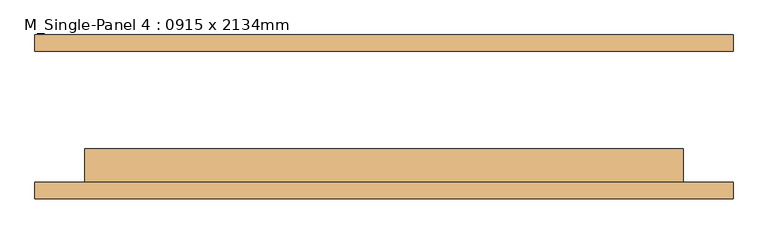
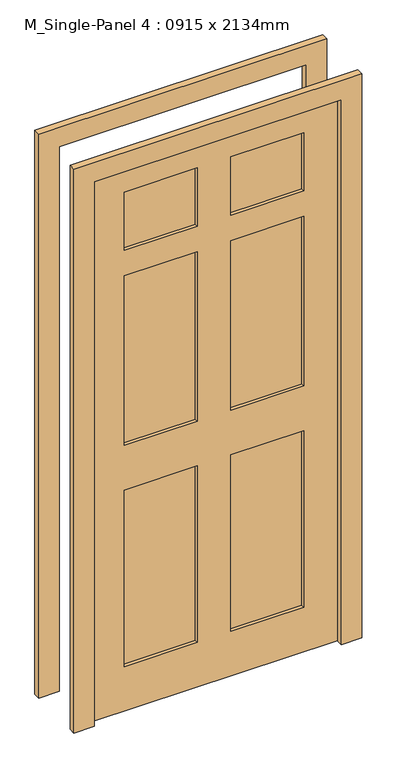
"""IFC4 building model written with IfcOpenShell, lengths in millimetres: door geometry, M_Single-Panel 4 : 0915 x 2134mm."""

import ifcopenshell
import ifcopenshell.guid

model = None  # the IFC model being written
_history = None  # IfcOwnerHistory: only IFC2X3 demands one
_inside = {}  # id of a spatial element -> (the spatial element, [elements in it])
_under = {}  # id of a project, library or spatial element -> (it, [spatial elements below it])
_declared = {}  # id of a project -> (the project, [libraries it declares])
_typed = {}  # id of a type object -> (the type object, [elements of that type])
_made_of = {}  # id of a material, layer set ... -> (it, [elements and type objects made of it])


def new_model(schema):
    """Start an empty IFC model of exactly this schema.

    Asked for "IFC4X3", IfcOpenShell would pick the latest addendum, in which some entities
    have other attributes; the version numbers below select the first issue.
    IFC2X3 requires an IfcOwnerHistory on every rooted entity: one is made here for all.
    """
    global model, _history
    if schema == "IFC4X3":
        model = ifcopenshell.file(schema_version=(4, 3, 0, 0))
    else:
        model = ifcopenshell.file(schema=schema)
    _inside.clear()
    _under.clear()
    _declared.clear()
    _typed.clear()
    _made_of.clear()
    _history = None
    if model.schema == "IFC2X3":
        org = make("IfcOrganization", Name="unknown")
        user = make(
            "IfcPersonAndOrganization",
            ThePerson=make("IfcPerson", FamilyName="unknown"),
            TheOrganization=org,
        )
        app = make(
            "IfcApplication",
            ApplicationDeveloper=org,
            Version="unknown",
            ApplicationFullName="unknown",
            ApplicationIdentifier="unknown",
        )
        _history = make(
            "IfcOwnerHistory",
            OwningUser=user,
            OwningApplication=app,
            ChangeAction="ADDED",
            CreationDate=0,
        )
    return model


def make(cls, **values):
    """One entity of the class cls with the attributes given. An attribute that is None is left unset."""
    return model.create_entity(
        cls, **{name: value for name, value in values.items() if value is not None}
    )


def rooted(cls, **values):
    """An entity with a GlobalId (a new one), such as an element, a storey or a relation."""
    return make(cls, GlobalId=ifcopenshell.guid.new(), OwnerHistory=_history, **values)


def si_unit(unit_type, name, prefix=None):
    """IfcSIUnit, for example si_unit("LENGTHUNIT", "METRE", prefix="MILLI")."""
    return make("IfcSIUnit", UnitType=unit_type, Prefix=prefix, Name=name)


def assignment(units):
    """IfcUnitAssignment: the units of a project."""
    return None if units is None else make("IfcUnitAssignment", Units=units)


def point(xyz):
    """IfcCartesianPoint."""
    return None if xyz is None else make("IfcCartesianPoint", Coordinates=xyz)


def direction(xyz):
    """IfcDirection."""
    return None if xyz is None else make("IfcDirection", DirectionRatios=xyz)


def frame(location, z_axis=None, x_axis=None):
    """IfcAxis2Placement3D, a coordinate frame: its origin and axes. An axis left out is left unset."""
    return make(
        "IfcAxis2Placement3D",
        Location=point(location),
        Axis=direction(z_axis),
        RefDirection=direction(x_axis),
    )


def origin():
    """The frame at (0, 0, 0) with its axes left unset."""
    return frame((0.0, 0.0, 0.0))


def place(relative_to, where):
    """IfcLocalPlacement: puts the frame where relative to a parent placement (None: the world)."""
    return make(
        "IfcLocalPlacement", PlacementRelTo=relative_to, RelativePlacement=where
    )


def context(
    kind, dimensions, precision=None, world=None, true_north=None, identifier=None
):
    """IfcGeometricRepresentationContext, for example the 3D "Model" context."""
    return make(
        "IfcGeometricRepresentationContext",
        ContextIdentifier=identifier,
        ContextType=kind,
        CoordinateSpaceDimension=dimensions,
        Precision=precision,
        WorldCoordinateSystem=world,
        TrueNorth=true_north,
    )


def project(units=None, contexts=None):
    """IfcProject with its units and contexts."""
    return rooted(
        "IfcProject",
        Name="project",
        RepresentationContexts=contexts,
        UnitsInContext=assignment(units),
    )


def spatial(cls, under=None, at=None, **own):
    """A site, building, storey or space (cls), placed at a placement, below another one or the project."""
    s = rooted(cls, ObjectPlacement=at, **own)
    if under is not None:
        _under.setdefault(under.id(), (under, []))[1].append(s)
    return s


def polyline(points):
    """IfcPolyline through the points."""
    return make("IfcPolyline", Points=[point(p) for p in points])


def outline(outer, holes=None, kind="AREA"):
    """IfcArbitraryClosedProfileDef: a profile drawn as a closed curve; with holes, ...WithVoids."""
    if holes is None:
        return make("IfcArbitraryClosedProfileDef", ProfileType=kind, OuterCurve=outer)
    return make(
        "IfcArbitraryProfileDefWithVoids",
        ProfileType=kind,
        OuterCurve=outer,
        InnerCurves=holes,
    )


def extrude(swept, where, along, depth):
    """IfcExtrudedAreaSolid: the profile swept, set in the frame where, extruded along a direction by depth."""
    return make(
        "IfcExtrudedAreaSolid",
        SweptArea=swept,
        Position=where,
        ExtrudedDirection=direction(along),
        Depth=depth,
    )


def shape(context_of_items, identifier, shape_type, items):
    """IfcShapeRepresentation: the items that make up one representation, for example the "Body"."""
    return make(
        "IfcShapeRepresentation",
        ContextOfItems=context_of_items,
        RepresentationIdentifier=identifier,
        RepresentationType=shape_type,
        Items=items,
    )


def source(mapping_origin, context_of_items, identifier, shape_type, items):
    """IfcRepresentationMap: a shape defined once, which mapped items show again and again."""
    return make(
        "IfcRepresentationMap",
        MappingOrigin=mapping_origin,
        MappedRepresentation=shape(context_of_items, identifier, shape_type, items),
    )


def transform(
    local_origin,
    x_axis=None,
    y_axis=None,
    z_axis=None,
    scale=None,
    scale2=None,
    scale3=None,
    uniform=True,
):
    """IfcCartesianTransformationOperator3D, or its non-uniform kind. x_axis, y_axis, z_axis: its Axis1, 2, 3."""
    if uniform:
        return make(
            "IfcCartesianTransformationOperator3D",
            Axis1=direction(x_axis),
            Axis2=direction(y_axis),
            LocalOrigin=point(local_origin),
            Scale=scale,
            Axis3=direction(z_axis),
        )
    return make(
        "IfcCartesianTransformationOperator3DnonUniform",
        Axis1=direction(x_axis),
        Axis2=direction(y_axis),
        LocalOrigin=point(local_origin),
        Scale=scale,
        Axis3=direction(z_axis),
        Scale2=scale2,
        Scale3=scale3,
    )


def mapped(mapping_source, mapping_target):
    """IfcMappedItem: shows the shape of a source again, moved by a transform."""
    return make(
        "IfcMappedItem", MappingSource=mapping_source, MappingTarget=mapping_target
    )


def made_of(thing, what):
    """Note that an element or type object is made of a material, layer set ...; save() writes the relation."""
    if what is not None:
        _made_of.setdefault(what.id(), (what, []))[1].append(thing)
    return thing


def element(
    cls,
    number,
    at=None,
    inside=None,
    cuts=None,
    type_object=None,
    material=None,
    context=None,
    identifier="Body",
    shape_type=None,
    held_by="IfcProductDefinitionShape",
    body=None,
    shapes=None,
    **own,
):
    """One element of the class cls, such as IfcWall. Its Tag is "e" and its number.

    at: its placement. inside: the storey or other place that contains it. cuts: it is an
    opening in that element (IfcRelVoidsElement). A single representation is given by context,
    identifier, shape_type and body (its items); several are given by shapes. held_by: the class
    of the entity that holds the representations. save() writes the other relations.
    """
    e = rooted(cls, Tag="e%d" % number, ObjectPlacement=at, **own)
    if body is not None:
        shapes = [shape(context, identifier, shape_type, body)]
    if shapes is not None:
        e.Representation = make(held_by, Representations=shapes)
    if inside is not None:
        _inside.setdefault(inside.id(), (inside, []))[1].append(e)
    if cuts is not None:
        rooted(
            "IfcRelVoidsElement", RelatingBuildingElement=cuts, RelatedOpeningElement=e
        )
    if type_object is not None:
        _typed.setdefault(type_object.id(), (type_object, []))[1].append(e)
    return made_of(e, material)


def aggregate(whole, parts):
    """IfcRelAggregates: a whole, such as a stair, and the parts it consists of."""
    return rooted("IfcRelAggregates", RelatingObject=whole, RelatedObjects=parts)


def save(model, path):
    """Write the relations noted so far, then the file.

    IfcRelAggregates (storeys below a building ...), IfcRelContainedInSpatialStructure (elements
    in a storey), IfcRelDefinesByType, IfcRelAssociatesMaterial and IfcRelDeclares: one each for
    every whole, place, type object, material and project.
    """
    for whole, parts in _under.values():
        aggregate(whole, parts)
    for where, things in _inside.values():
        rooted(
            "IfcRelContainedInSpatialStructure",
            RelatedElements=things,
            RelatingStructure=where,
        )
    for kind, things in _typed.values():
        rooted("IfcRelDefinesByType", RelatedObjects=things, RelatingType=kind)
    for what, things in _made_of.values():
        rooted("IfcRelAssociatesMaterial", RelatedObjects=things, RelatingMaterial=what)
    for by, libraries in _declared.values():
        rooted("IfcRelDeclares", RelatingContext=by, RelatedDefinitions=libraries)
    model.write(path)


def m_single_panel_4_0915_x_2134mm_54fff9dd(model_context):
    return source(origin(), model_context, "Body", "SweptSolid", [
        extrude(outline(polyline([(0.0, -533.5), (0.0, -457.5), (2134.0, -457.5), (2134.0, 457.5), (0.0, 457.5), (0.0, 533.5), (2210.0, 533.5), (2210.0, -533.5), (0.0, -533.5)])), frame((0.0, 100.0, 0.0), z_axis=(0.0, 1.0, 0.0), x_axis=(0.0, 0.0, 1.0)), (0.0, 0.0, 1.0), 25.0),
        extrude(outline(polyline([(0.0, 533.5), (2210.0, 533.5), (2210.0, -533.5), (0.0, -533.5), (0.0, -457.5), (2134.0, -457.5), (2134.0, 457.5), (0.0, 457.5), (0.0, 533.5)])), frame((0.0, -125.4, 0.0), z_axis=(0.0, 1.0, 0.0), x_axis=(0.0, 0.0, 1.0)), (0.0, 0.0, 1.0), 25.0),
        extrude(outline(polyline([(-62.5, -61.7), (-62.5, -87.3), (-332.5, -87.3), (-332.5, -61.7), (-62.5, -61.7)])), frame((0.0, 0.0, 1805.4), z_axis=(0.0, 0.0, 1.0), x_axis=(1.0, 0.0, 0.0)), (0.0, 0.0, 1.0), 228.6),
        extrude(outline(polyline([(332.5, -61.7), (332.5, -87.3), (62.5, -87.3), (62.5, -61.7), (332.5, -61.7)])), frame((0.0, 0.0, 1805.4), z_axis=(0.0, 0.0, 1.0), x_axis=(1.0, 0.0, 0.0)), (0.0, 0.0, 1.0), 228.6),
        extrude(outline(polyline([(-62.5, -61.7), (-62.5, -87.3), (-332.5, -87.3), (-332.5, -61.7), (-62.5, -61.7)])), frame((0.0, 0.0, 1041.4), z_axis=(0.0, 0.0, 1.0), x_axis=(1.0, 0.0, 0.0)), (0.0, 0.0, 1.0), 664.0),
        extrude(outline(polyline([(332.5, -61.7), (332.5, -87.3), (62.5, -87.3), (62.5, -61.7), (332.5, -61.7)])), frame((0.0, 0.0, 1041.4), z_axis=(0.0, 0.0, 1.0), x_axis=(1.0, 0.0, 0.0)), (0.0, 0.0, 1.0), 664.0),
        extrude(outline(polyline([(-62.5, -61.7), (-62.5, -87.3), (-332.5, -87.3), (-332.5, -61.7), (-62.5, -61.7)])), frame((0.0, 0.0, 175.0), z_axis=(0.0, 0.0, 1.0), x_axis=(1.0, 0.0, 0.0)), (0.0, 0.0, 1.0), 691.4),
        extrude(outline(polyline([(332.5, -61.7), (332.5, -87.3), (62.5, -87.3), (62.5, -61.7), (332.5, -61.7)])), frame((0.0, 0.0, 175.0), z_axis=(0.0, 0.0, 1.0), x_axis=(1.0, 0.0, 0.0)), (0.0, 0.0, 1.0), 691.4),
        extrude(outline(polyline([(2134.0, 457.5), (2134.0, -457.5), (0.0, -457.5), (0.0, 457.5), (2134.0, 457.5)]), holes=[polyline([(2034.0, -62.5), (1805.4, -62.5), (1805.4, -332.5), (2034.0, -332.5), (2034.0, -62.5)]), polyline([(2034.0, 332.5), (1805.4, 332.5), (1805.4, 62.5), (2034.0, 62.5), (2034.0, 332.5)]), polyline([(1705.4, -62.5), (1041.4, -62.5), (1041.4, -332.5), (1705.4, -332.5), (1705.4, -62.5)]), polyline([(1705.4, 332.5), (1041.4, 332.5), (1041.4, 62.5), (1705.4, 62.5), (1705.4, 332.5)]), polyline([(866.4, -62.5), (175.0, -62.5), (175.0, -332.5), (866.4, -332.5), (866.4, -62.5)]), polyline([(866.4, 332.5), (175.0, 332.5), (175.0, 62.5), (866.4, 62.5), (866.4, 332.5)])]), frame((0.0, -100.0, 0.0), z_axis=(0.0, 1.0, 0.0), x_axis=(0.0, 0.0, 1.0)), (0.0, 0.0, 1.0), 51.0),
    ])


if __name__ == "__main__":
    model = new_model("IFC4")
    model_context = context("Model", 3, world=origin())
    ifc_project = project(units=[si_unit("LENGTHUNIT", "METRE", prefix="MILLI")], contexts=[model_context])
    site = spatial("IfcSite", under=ifc_project)
    building = spatial("IfcBuilding", under=site)
    placement = place(None, origin())
    m_single_panel_4_0915_x_2134mm_shape = m_single_panel_4_0915_x_2134mm_54fff9dd(model_context)
    element("IfcDoor", 1, ObjectType="M_Single-Panel 4 : 0915 x 2134mm", at=placement, inside=building, context=model_context, shape_type="MappedRepresentation", body=[
        mapped(m_single_panel_4_0915_x_2134mm_shape, transform((0.0, 0.0, 0.0), x_axis=(1.0, 0.0, 0.0), y_axis=(0.0, 1.0, 0.0), z_axis=(0.0, 0.0, 1.0))),
    ])
    save(model, "model.ifc")
